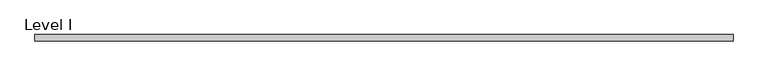
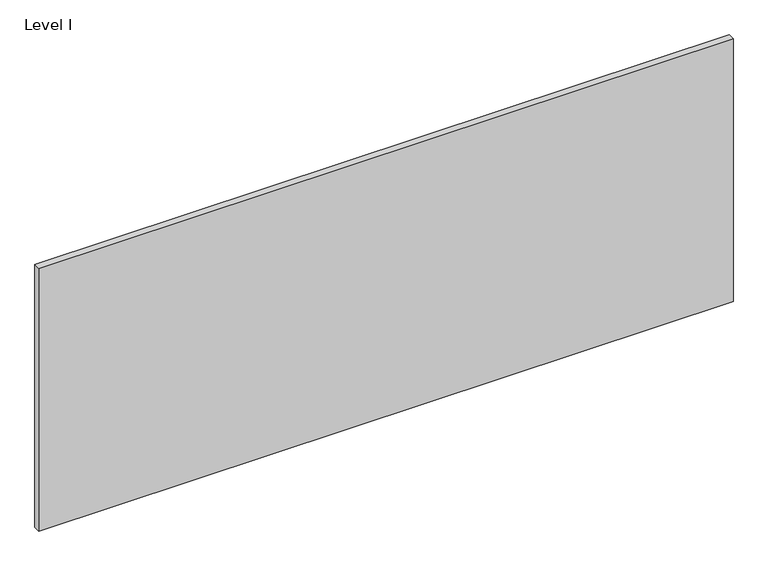
"""IFC4 building model written with IfcOpenShell, lengths in millimetres: proxy geometry, Level I."""

from ifc_helpers import new_model, si_unit, frame, origin, place, context, project, spatial, polyline, outline, extrude, source, transform, mapped, element, save


def level_i_42ece40d(model_context):
    return source(origin(), model_context, "Body", "SweptSolid", [
        extrude(outline(polyline([(1012.8305563, -9.525), (-1012.8305562, -9.525), (-1012.8305562, 9.525), (1012.8305563, 9.525), (1012.8305563, -9.525)])), frame((0.0, 0.0, 3.175), z_axis=(0.0, 0.0, 1.0), x_axis=(1.0, 0.0, 0.0)), (0.0, 0.0, 1.0), 810.768),
    ])


if __name__ == "__main__":
    model = new_model("IFC4")
    model_context = context("Model", 3, world=origin())
    ifc_project = project(units=[si_unit("LENGTHUNIT", "METRE", prefix="MILLI")], contexts=[model_context])
    site = spatial("IfcSite", under=ifc_project)
    building = spatial("IfcBuilding", under=site)
    placement = place(None, origin())
    level_i_shape = level_i_42ece40d(model_context)
    element("IfcBuildingElementProxy", 1, Name="Level I", ObjectType="Level I", at=placement, inside=building, context=model_context, shape_type="MappedRepresentation", body=[
        mapped(level_i_shape, transform((0.0, 0.0, 0.0), x_axis=(1.0, 0.0, 0.0), y_axis=(0.0, 1.0, 0.0), z_axis=(0.0, 0.0, 1.0))),
    ])
    save(model, "model.ifc")
